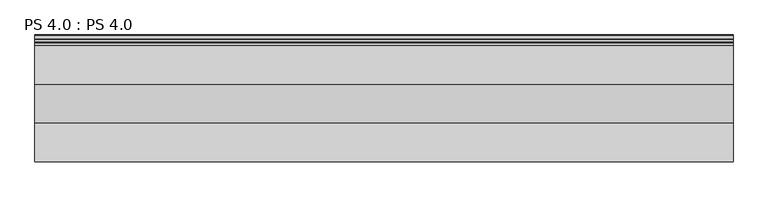
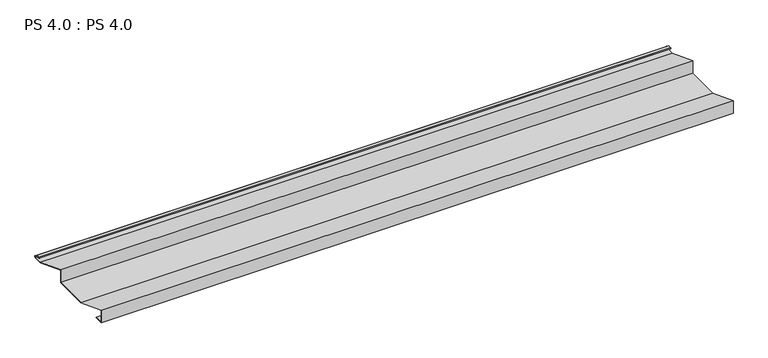
"""IFC4 building model written with IfcOpenShell, lengths in millimetres: proxy geometry, PS 4.0 : PS 4.0."""

from ifc_helpers import new_model, si_unit, point, frame, frame_2d, origin, place, context, project, spatial, polyline, circle_curve, trimmed, segment, composite_curve, outline, extrude, source, transform, mapped, element, save


def ps_4_0_ps_4_0_648bbeee(model_context):
    return source(origin(), model_context, "Body", "SweptSolid", [
        extrude(outline(composite_curve([segment(polyline([(0.0, 0.0), (0.0, 38.0), (100.0, 0.0), (200.0, 0.0), (200.0, 38.0), (299.9966446, 0.0), (325.0510156, 0.0)]), True, "CONTINUOUS"), segment(trimmed(circle_curve(frame_2d((324.3094696, 1.9153551)), 2.0538928), [point((325.0510156, 0.0))], [point((325.1748462, 3.778041))], True, "CARTESIAN"), True, "CONTINUOUS"), segment(polyline([(325.1748462, 3.778041), (308.7874714, 6.923107)]), True, "CONTINUOUS"), segment(trimmed(circle_curve(frame_2d((309.4078886, 8.6005442)), 1.7884947), [point((308.7874714, 6.923107))], [point((308.9525789, 10.3301125))], False, "CARTESIAN"), True, "CONTINUOUS"), segment(polyline([(308.9525789, 10.3301125), (316.459338, 11.6715995), (316.635255, 10.6871945), (309.1762081, 9.3542338)]), True, "CONTINUOUS"), segment(trimmed(circle_curve(frame_2d((309.4078886, 8.6005442)), 0.7884947), [point((309.1762081, 9.3542338))], [point((309.0735117, 7.8864603))], True, "CARTESIAN"), True, "CONTINUOUS"), segment(polyline([(309.0735117, 7.8864603), (325.4722719, 4.7392091)]), True, "CONTINUOUS"), segment(trimmed(circle_curve(frame_2d((324.3094696, 1.9153551)), 3.0538928), [point((325.4722719, 4.7392091))], [point((325.2188462, -1.0))], False, "CARTESIAN"), True, "CONTINUOUS"), segment(polyline([(325.2188462, -1.0), (299.8130433, -1.0), (201.0, 36.5502164), (201.0, -1.0), (99.8164044, -1.0), (1.0, 36.5502337), (1.0, 1.0), (25.0, 1.0), (25.0, 0.0), (0.0, 0.0)]), True, "CONTINUOUS")], self_intersect=False)), frame((0.0, 0.0, 0.0), z_axis=(1.0, 0.0, 0.0), x_axis=(0.0, 1.0, 0.0)), (0.0, 0.0, 1.0), 1800.0),
    ])


if __name__ == "__main__":
    model = new_model("IFC4")
    model_context = context("Model", 3, world=origin())
    ifc_project = project(units=[si_unit("LENGTHUNIT", "METRE", prefix="MILLI")], contexts=[model_context])
    site = spatial("IfcSite", under=ifc_project)
    building = spatial("IfcBuilding", under=site)
    placement = place(None, origin())
    ps_4_0_ps_4_0_shape = ps_4_0_ps_4_0_648bbeee(model_context)
    element("IfcBuildingElementProxy", 1, Name="PS 4.0 : PS 4.0", ObjectType="PS 4.0 : PS 4.0", at=placement, inside=building, context=model_context, shape_type="MappedRepresentation", body=[
        mapped(ps_4_0_ps_4_0_shape, transform((0.0, 0.0, 0.0), x_axis=(1.0, 0.0, 0.0), y_axis=(0.0, 1.0, 0.0), z_axis=(0.0, 0.0, 1.0))),
    ])
    save(model, "model.ifc")
